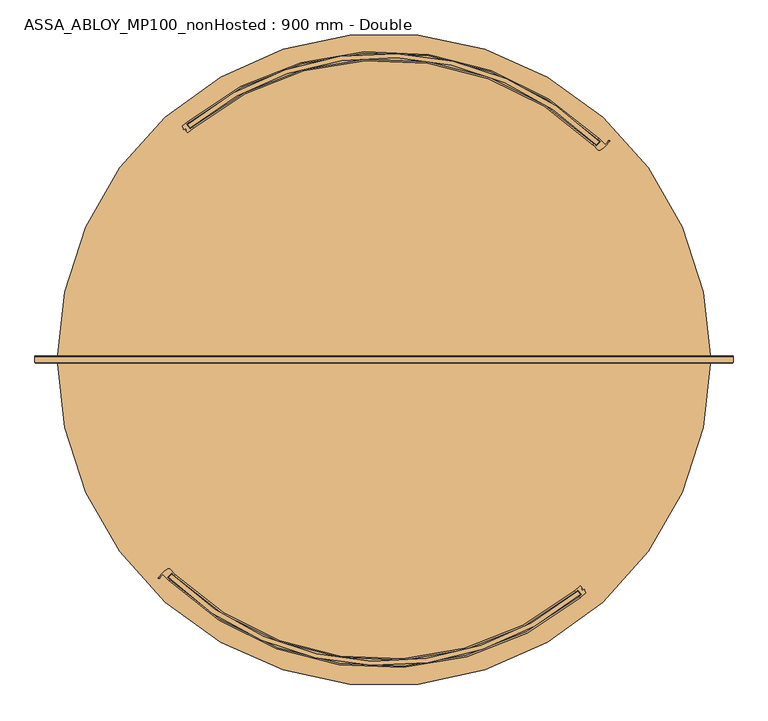
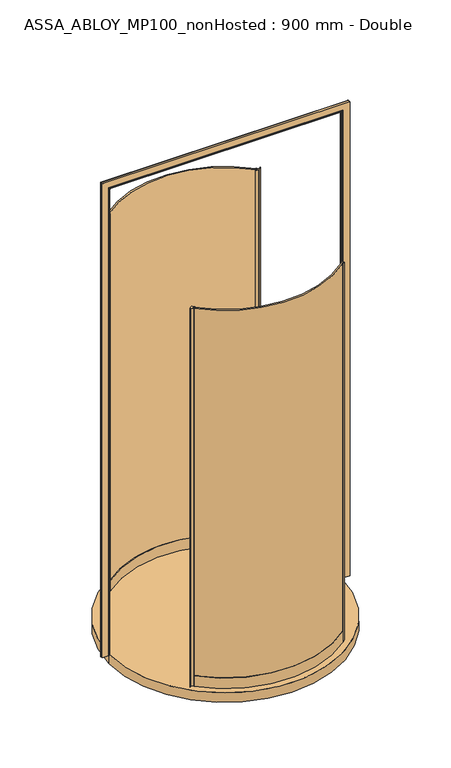
"""IFC4 building model written with IfcOpenShell, lengths in millimetres: door geometry, ASSA_ABLOY_MP100_nonHosted : 900 mm - Double."""

from ifc_helpers import new_model, si_unit, point, frame, origin, origin_with_axes, origin_2d, place, context, project, spatial, polyline, circle_curve, ellipse_curve, trimmed, segment, composite_curve, outline, extrude, source, transform, mapped, element, save
from ifc_brep_helpers import plane_surface, cylinder_surface, revolved_surface, advanced_brep


def assa_abloy_mp100_nonhosted_900_mm_double_eaa0d9aa(model_context):
    return source(origin(), model_context, "Body", "SolidModel", [
        extrude(outline(composite_curve([segment(trimmed(circle_curve(origin_2d(), 698.5), [point((-490.9895728, -496.8213858))], [point((447.911727, -535.9825882))], True, "CARTESIAN"), True, "CONTINUOUS"), segment(polyline([(447.911727, -535.9825882), (454.2710339, -543.7003566)]), True, "CONTINUOUS"), segment(trimmed(circle_curve(origin_2d(), 708.5), [point((454.2710339, -543.7003566))], [point((-497.9678543, -503.9843907))], False, "CARTESIAN"), True, "CONTINUOUS"), segment(polyline([(-497.9678543, -503.9843907), (-490.9895728, -496.8213858)]), True, "CONTINUOUS")], self_intersect=False)), origin_with_axes(), (0.0, 0.0, 1.0), 2600.0),
        extrude(outline(composite_curve([segment(polyline([(453.994875, -524.2431721), (458.3305753, -529.5050553), (456.4011788, -531.0948444), (458.6268836, -533.7959994), (463.1303685, -531.7447887), (463.8351403, -532.6001123), (462.4592124, -534.5156429), (466.7169037, -539.682853)]), True, "CONTINUOUS"), segment(trimmed(circle_curve(origin_2d(), 713.5), [point((466.7169037, -539.682853))], [point((453.7258137, -550.6497399))], False, "CARTESIAN"), True, "CONTINUOUS"), segment(polyline([(453.7258137, -550.6497399), (451.8180667, -548.3344642)]), True, "CONTINUOUS"), segment(trimmed(circle_curve(origin_2d(), 710.5), [point((451.8180667, -548.3344642))], [point((457.1984481, -543.8564416))], True, "CARTESIAN"), True, "CONTINUOUS"), segment(polyline([(457.1984481, -543.8564416), (448.2951882, -533.0512867)]), True, "CONTINUOUS"), segment(trimmed(circle_curve(origin_2d(), 696.5), [point((448.2951882, -533.0512867))], [point((442.7977457, -537.6266422))], False, "CARTESIAN"), True, "CONTINUOUS"), segment(polyline([(442.7977457, -537.6266422), (441.0075007, -535.2145685)]), True, "CONTINUOUS"), segment(trimmed(circle_curve(origin_2d(), 693.5), [point((441.0075007, -535.2145685))], [point((453.994875, -524.2431721))], True, "CARTESIAN"), True, "CONTINUOUS")], self_intersect=False)), origin_with_axes(), (0.0, 0.0, 1.0), 2600.0),
        advanced_brep(
        [(-490.998522, -493.9942887, 0.0), (-500.699855, -504.0902616, 0.0), (-495.6884468, -508.9778468, 0.0), (-497.7670678, -511.1410238, 0.0), (-511.6133107, -497.2748611, 0.0), (-518.778249, -505.9668089, 0.0), (-521.349799, -504.6508512, 0.0), (-499.4826662, -484.364755, 0.0), (-495.8006619, -484.8633819, 0.0), (-483.9095948, -496.7198435, 0.0), (-485.9882157, -498.8830206, 0.0), (-490.998522, -493.9942887, 2600.0), (-485.9882157, -498.8830206, 2600.0), (-483.9095948, -496.7198435, 2600.0), (-495.8006619, -484.8633819, 2600.0), (-499.4826662, -484.364755, 2600.0), (-521.349799, -504.6508512, 2600.0), (-518.7920549, -505.9595954, 2600.0), (-511.6133107, -497.2748611, 2600.0), (-497.7670678, -511.1410238, 2600.0), (-495.6884468, -508.9778468, 2600.0), (-500.699855, -504.0902616, 2600.0)],
        [
            (0, 1),
            (1, 2, circle_curve(frame((-168.9985207, -168.9985207, 0.0), z_axis=(0.0, 0.0, 1.0), x_axis=(-0.7071067811865529, 0.707106781186542, 0.0)), 471.5)),
            (2, 3),
            (3, 4, circle_curve(frame((-168.9985207, -168.9985207, 0.0), z_axis=(0.0, 0.0, -1.0), x_axis=(-0.7071067811865529, 0.707106781186542, 0.0)), 474.5)),
            (4, 5, circle_curve(frame((-494.5950932, -518.6023736, 0.0), z_axis=(0.0, 0.0, 1.0), x_axis=(-0.7071067811865529, 0.707106781186542, 0.0)), 27.285207)),
            (5, 6, circle_curve(frame((-520.0653426, -505.2943097, 0.0), z_axis=(0.0, 0.0, -1.0), x_axis=(-0.7071067811865529, 0.707106781186542, 0.0)), 1.4366164)),
            (6, 7, circle_curve(frame((-463.9017941, -544.6474353, 0.0), z_axis=(0.0, 0.0, -1.0), x_axis=(-0.7071067811865529, 0.707106781186542, 0.0)), 70.0)),
            (7, 8, circle_curve(frame((-497.9577717, -486.9482985, 0.0), z_axis=(0.0, 0.0, -1.0), x_axis=(-0.7071067811865529, 0.707106781186542, 0.0)), 3.0)),
            (8, 9, circle_curve(frame((-168.9985207, -168.9985207, 0.0), z_axis=(0.0, 0.0, 1.0), x_axis=(-0.7071067811865529, 0.707106781186542, 0.0)), 454.5)),
            (9, 10),
            (10, 0, circle_curve(frame((-168.9985207, -168.9985207, 0.0), z_axis=(0.0, 0.0, -1.0), x_axis=(-0.7071067811865529, 0.707106781186542, 0.0)), 457.5)),
            (11, 12, circle_curve(frame((-168.9985207, -168.9985207, 2600.0), z_axis=(0.0, 0.0, 1.0), x_axis=(-0.7071067811865529, 0.707106781186542, 0.0)), 457.5)),
            (12, 13),
            (13, 14, circle_curve(frame((-168.9985207, -168.9985207, 2600.0), z_axis=(0.0, 0.0, -1.0), x_axis=(-0.7071067811865529, 0.707106781186542, 0.0)), 454.5)),
            (14, 15, circle_curve(frame((-497.9577717, -486.9482985, 2600.0), z_axis=(0.0, 0.0, 1.0), x_axis=(-0.7071067811865529, 0.707106781186542, 0.0)), 3.0)),
            (15, 16, circle_curve(frame((-463.9017941, -544.6474353, 2600.0), z_axis=(0.0, 0.0, 1.0), x_axis=(-0.7071067811865529, 0.707106781186542, 0.0)), 70.0)),
            (16, 17, circle_curve(frame((-520.0653426, -505.2943097, 2600.0), z_axis=(0.0, 0.0, 1.0), x_axis=(-0.7071067811865529, 0.707106781186542, 0.0)), 1.4366164)),
            (17, 18, circle_curve(frame((-494.5950932, -518.6023736, 2600.0), z_axis=(0.0, 0.0, -1.0), x_axis=(-0.7071067811865529, 0.707106781186542, 0.0)), 27.285207)),
            (18, 19, circle_curve(frame((-168.9985207, -168.9985207, 2600.0), z_axis=(0.0, 0.0, 1.0), x_axis=(-0.7071067811865529, 0.707106781186542, 0.0)), 474.5)),
            (19, 20),
            (20, 21, circle_curve(frame((-168.9985207, -168.9985207, 2600.0), z_axis=(0.0, 0.0, -1.0), x_axis=(-0.7071067811865529, 0.707106781186542, 0.0)), 471.5)),
            (21, 11),
            (0, 11),
            (21, 1),
            (20, 2),
            (19, 3),
            (18, 4),
            (8, 14),
            (13, 9),
            (12, 10),
            (17, 5),
            (16, 6),
            (15, 7),
        ],
        [
            plane_surface(frame((-490.3785528, -490.3785528, 0.0), z_axis=(0.0, 0.0, -1.0000000000000002), x_axis=(-0.7071067811865421, -0.707106781186553, 0.0))),
            plane_surface(frame((-490.3785528, -490.3785528, 2600.0), z_axis=(0.0, 0.0, 1.0000000000000002), x_axis=(-0.7071067811865421, -0.707106781186553, 0.0))),
            plane_surface(frame((-490.998522, -493.9942887, 0.0), z_axis=(0.7210590160944298, -0.6928736503208452, 0.0), x_axis=(0.0, 0.0, 1.0))),
            revolved_surface(polyline([(-502.39936802945965, 164.40232662945456, 2600.0), (-502.39936802945965, 164.40232662945456, 0.0)]), (-168.9985207, -168.9985207, 0.0), (0.0, 0.0, 1.0)),
            plane_surface(frame((-495.6884468, -508.9778468, 0.0), z_axis=(0.7210590160945622, -0.6928736503207074, 0.0), x_axis=(0.0, 0.0, 1.0))),
            cylinder_surface(frame((-168.9985207, -168.9985207, 0.0), z_axis=(0.0, 0.0, -1.0), x_axis=(-0.7071067811865529, 0.707106781186542, 0.0)), 474.5),
            revolved_surface(polyline([(-490.37855274928825, 152.38151134928333, 2600.0), (-490.37855274928825, 152.38151134928333, 0.0)]), (-168.9985207, -168.9985207, 0.0), (0.0, 0.0, 1.0)),
            plane_surface(frame((-483.9095948, -496.7198435, 0.0), z_axis=(0.721059016094641, -0.6928736503206255, 0.0), x_axis=(0.0, 0.0, 1.0))),
            cylinder_surface(frame((-168.9985207, -168.9985207, 0.0), z_axis=(0.0, 0.0, -1.0), x_axis=(-0.7071067811865529, 0.707106781186542, 0.0)), 457.5),
            revolved_surface(polyline([(-513.8886480957788, -499.30881870422144, 2600.0), (-513.8886480957788, -499.30881870422144, 0.0)]), (-494.5950932, -518.6023736, 0.0), (0.0, 0.0, 1.0)),
            cylinder_surface(frame((-520.0653426, -505.2943097, 0.0), z_axis=(0.0, 0.0, -1.0), x_axis=(-0.7071067811865529, 0.707106781186542, 0.0)), 1.4366164),
            cylinder_surface(frame((-463.9017941, -544.6474353, 0.0), z_axis=(0.0, 0.0, -1.0), x_axis=(-0.7071067811865529, 0.707106781186542, 0.0)), 70.0),
            cylinder_surface(frame((-497.9577717, -486.9482985, 0.0), z_axis=(0.0, 0.0, -1.0), x_axis=(-0.7071067811865529, 0.707106781186542, 0.0)), 3.0),
        ],
        [
            (0, [[1, 2, 3, 4, 5, 6, 7, 8, 9, 10, 11]]),
            (1, [[12, 13, 14, 15, 16, 17, 18, 19, 20, 21, 22]]),
            (2, [[-1, 23, -22, 24]]),
            (3, [[-2, -24, -21, 25]]),
            (4, [[-3, -25, -20, 26]]),
            (5, [[-4, -26, -19, 27]]),
            (6, [[-9, 28, -14, 29]]),
            (7, [[-10, -29, -13, 30]]),
            (8, [[-11, -30, -12, -23]]),
            (9, [[-5, -27, -18, 31]]),
            (10, [[-6, -31, -17, 32]]),
            (11, [[-7, -32, -16, 33]]),
            (12, [[-8, -33, -15, -28]]),
        ],
    ),
        advanced_brep(
        [(-483.931596, -496.7418448, 73.0), (-483.931596, -496.7418448, 0.0), (-486.0250276, -498.890692, 0.0), (-486.0250276, -498.890692, 24.0), (-495.7943749, -508.9186456, 24.0), (-495.7943749, -508.9186456, 0.0), (-497.8878064, -511.0674928, 0.0), (-497.8878064, -511.0674928, 73.0), (-495.7943749, -508.9186456, 73.0), (-495.7943749, -508.9186456, 39.0), (-486.0250276, -498.890692, 39.0), (-486.0250276, -498.890692, 73.0), (441.0075007, -535.2145685, 73.0), (442.9152477, -537.5298442, 73.0), (442.9152477, -537.5298442, 39.0), (451.8180667, -548.3344642, 39.0), (451.8180667, -548.3344642, 73.0), (453.7258137, -550.6497399, 73.0), (453.7258137, -550.6497399, 0.0), (451.8180667, -548.3344642, 0.0), (451.8180667, -548.3344642, 24.0), (442.9152477, -537.5298442, 24.0), (442.9152477, -537.5298442, 0.0), (441.0075007, -535.2145685, 0.0)],
        [
            (0, 1),
            (1, 2),
            (2, 3),
            (3, 4),
            (4, 5),
            (5, 6),
            (6, 7),
            (7, 8),
            (8, 9),
            (9, 10),
            (10, 11),
            (11, 0),
            (12, 13),
            (13, 14),
            (14, 15),
            (15, 16),
            (16, 17),
            (17, 18),
            (18, 19),
            (19, 20),
            (20, 21),
            (21, 22),
            (22, 23),
            (23, 12),
            (23, 1, circle_curve(frame((0.0, 0.0, 0.0), z_axis=(0.0, 0.0, -1.0), x_axis=(-0.6978105206016528, -0.7162824005499857, 0.0)), 693.5)),
            (0, 12, circle_curve(frame((0.0, 0.0, 73.0), z_axis=(0.0, 0.0, 1.0), x_axis=(-0.6978105206016528, -0.7162824005499857, 0.0)), 693.5)),
            (22, 2, circle_curve(frame((0.0, 0.0, 0.0), z_axis=(0.0, 0.0, -1.0), x_axis=(-0.6978105206016528, -0.7162824005499857, 0.0)), 696.5)),
            (21, 3, circle_curve(frame((0.0, 0.0, 24.0), z_axis=(0.0, 0.0, -1.0), x_axis=(-0.6978105206016528, -0.7162824005499857, 0.0)), 696.5)),
            (20, 4, circle_curve(frame((0.0, 0.0, 24.0), z_axis=(0.0, 0.0, -1.0), x_axis=(-0.6978105206016528, -0.7162824005499857, 0.0)), 710.5)),
            (19, 5, circle_curve(frame((0.0, 0.0, 0.0), z_axis=(0.0, 0.0, -1.0), x_axis=(-0.6978105206016528, -0.7162824005499857, 0.0)), 710.5)),
            (18, 6, circle_curve(frame((0.0, 0.0, 0.0), z_axis=(0.0, 0.0, -1.0), x_axis=(-0.6978105206016528, -0.7162824005499857, 0.0)), 713.5)),
            (17, 7, circle_curve(frame((0.0, 0.0, 73.0), z_axis=(0.0, 0.0, -1.0), x_axis=(-0.6978105206016528, -0.7162824005499857, 0.0)), 713.5)),
            (16, 8, circle_curve(frame((0.0, 0.0, 73.0), z_axis=(0.0, 0.0, -1.0), x_axis=(-0.6978105206016528, -0.7162824005499857, 0.0)), 710.5)),
            (15, 9, circle_curve(frame((0.0, 0.0, 39.0), z_axis=(0.0, 0.0, -1.0), x_axis=(-0.6978105206016528, -0.7162824005499857, 0.0)), 710.5)),
            (14, 10, circle_curve(frame((0.0, 0.0, 39.0), z_axis=(0.0, 0.0, -1.0), x_axis=(-0.6978105206016528, -0.7162824005499857, 0.0)), 696.5)),
            (13, 11, circle_curve(frame((0.0, 0.0, 73.0), z_axis=(0.0, 0.0, -1.0), x_axis=(-0.6978105206016528, -0.7162824005499857, 0.0)), 696.5)),
        ],
        [
            plane_surface(frame((-483.931596, -496.7418448, 0.0), z_axis=(-0.7162824005499858, 0.6978105206016528, 0.0), x_axis=(0.0, 0.0, 1.0))),
            plane_surface(frame((441.0075007, -535.2145685, 0.0), z_axis=(0.7717585702338592, 0.6359156463483105, 0.0), x_axis=(0.0, 0.0, 1.0))),
            revolved_surface(polyline([(-483.9315960372462, -496.74184478141507, 73.00000000000003), (-483.9315960372462, -496.74184478141507, 0.0)]), (0.0, 0.0, 0.0), (0.0, 0.0, 1.0000000000000002)),
            plane_surface(frame((0.0, 0.0, 0.0), z_axis=(0.0, 0.0, -1.0000000000000002), x_axis=(-0.6978105206016529, -0.7162824005499858, 0.0))),
            cylinder_surface(frame((0.0, 0.0, 0.0), z_axis=(0.0, 0.0, 1.0000000000000002), x_axis=(-0.6978105206016528, -0.7162824005499857, 0.0)), 696.5),
            plane_surface(frame((0.0, 0.0, 24.0), z_axis=(0.0, 0.0, -1.0000000000000002), x_axis=(-0.6978105206016529, -0.7162824005499858, 0.0))),
            revolved_surface(polyline([(-495.79437488747436, -508.91864559076487, 24.000000000000014), (-495.79437488747436, -508.91864559076487, 0.0)]), (0.0, 0.0, 0.0), (0.0, 0.0, 1.0000000000000002)),
            cylinder_surface(frame((0.0, 0.0, 0.0), z_axis=(0.0, 0.0, 1.0000000000000002), x_axis=(-0.6978105206016528, -0.7162824005499857, 0.0)), 713.5),
            plane_surface(frame((0.0, 0.0, 73.0), z_axis=(0.0, 0.0, 1.0000000000000002), x_axis=(-0.6978105206016529, -0.7162824005499858, 0.0))),
            revolved_surface(polyline([(-495.79437488747436, -508.91864559076487, 73.00000000000003), (-495.79437488747436, -508.91864559076487, 39.000000000000014)]), (0.0, 0.0, 0.0), (0.0, 0.0, 1.0000000000000002)),
            plane_surface(frame((0.0, 0.0, 39.0), z_axis=(0.0, 0.0, 1.0000000000000002), x_axis=(-0.6978105206016529, -0.7162824005499858, 0.0))),
        ],
        [
            (0, [[1, 2, 3, 4, 5, 6, 7, 8, 9, 10, 11, 12]]),
            (1, [[13, 14, 15, 16, 17, 18, 19, 20, 21, 22, 23, 24]]),
            (2, [[25, -1, 26, -24]]),
            (3, [[27, -2, -25, -23]]),
            (4, [[28, -3, -27, -22]]),
            (5, [[29, -4, -28, -21]]),
            (6, [[30, -5, -29, -20]]),
            (3, [[31, -6, -30, -19]]),
            (7, [[32, -7, -31, -18]]),
            (8, [[33, -8, -32, -17]]),
            (9, [[34, -9, -33, -16]]),
            (10, [[35, -10, -34, -15]]),
            (4, [[36, -11, -35, -14]]),
            (8, [[-26, -12, -36, -13]]),
        ],
    ),
        extrude(outline(composite_curve([segment(trimmed(circle_curve(origin_2d(), 698.5), [point((490.9895728, 496.8213858))], [point((-447.911727, 535.9825882))], True, "CARTESIAN"), True, "CONTINUOUS"), segment(polyline([(-447.911727, 535.9825882), (-454.2710339, 543.7003566)]), True, "CONTINUOUS"), segment(trimmed(circle_curve(origin_2d(), 708.5), [point((-454.2710339, 543.7003566))], [point((497.9678543, 503.9843907))], False, "CARTESIAN"), True, "CONTINUOUS"), segment(polyline([(497.9678543, 503.9843907), (490.9895728, 496.8213858)]), True, "CONTINUOUS")], self_intersect=False)), origin_with_axes(), (0.0, 0.0, 1.0), 2600.0),
        extrude(outline(composite_curve([segment(polyline([(-453.994875, 524.2431721), (-458.3305753, 529.5050553), (-456.4011788, 531.0948444), (-458.6268836, 533.7959994), (-463.1303685, 531.7447887), (-463.8351403, 532.6001123), (-462.4592124, 534.5156429), (-466.7169037, 539.682853)]), True, "CONTINUOUS"), segment(trimmed(circle_curve(origin_2d(), 713.5), [point((-466.7169037, 539.682853))], [point((-453.7258137, 550.6497399))], False, "CARTESIAN"), True, "CONTINUOUS"), segment(polyline([(-453.7258137, 550.6497399), (-451.8180667, 548.3344642)]), True, "CONTINUOUS"), segment(trimmed(circle_curve(origin_2d(), 710.5), [point((-451.8180667, 548.3344642))], [point((-457.1984481, 543.8564416))], True, "CARTESIAN"), True, "CONTINUOUS"), segment(polyline([(-457.1984481, 543.8564416), (-448.2951882, 533.0512867)]), True, "CONTINUOUS"), segment(trimmed(circle_curve(origin_2d(), 696.5), [point((-448.2951882, 533.0512867))], [point((-442.7977457, 537.6266422))], False, "CARTESIAN"), True, "CONTINUOUS"), segment(polyline([(-442.7977457, 537.6266422), (-441.0075007, 535.2145685)]), True, "CONTINUOUS"), segment(trimmed(circle_curve(origin_2d(), 693.5), [point((-441.0075007, 535.2145685))], [point((-453.994875, 524.2431721))], True, "CARTESIAN"), True, "CONTINUOUS")], self_intersect=False)), origin_with_axes(), (0.0, 0.0, 1.0), 2600.0),
        advanced_brep(
        [(490.998522, 493.9942887, 0.0), (500.699855, 504.0902616, 0.0), (495.6884468, 508.9778468, 0.0), (497.7670678, 511.1410238, 0.0), (511.6133107, 497.2748611, 0.0), (518.778249, 505.9668089, 0.0), (521.349799, 504.6508512, 0.0), (499.4826662, 484.364755, 0.0), (495.8006619, 484.8633819, 0.0), (483.9095948, 496.7198435, 0.0), (485.9882157, 498.8830206, 0.0), (490.998522, 493.9942887, 2600.0), (485.9882157, 498.8830206, 2600.0), (483.9095948, 496.7198435, 2600.0), (495.8006619, 484.8633819, 2600.0), (499.4826662, 484.364755, 2600.0), (521.349799, 504.6508512, 2600.0), (518.7920549, 505.9595954, 2600.0), (511.6133107, 497.2748611, 2600.0), (497.7670678, 511.1410238, 2600.0), (495.6884468, 508.9778468, 2600.0), (500.699855, 504.0902616, 2600.0)],
        [
            (0, 1),
            (1, 2, circle_curve(frame((168.9985207, 168.9985207, 0.0), z_axis=(0.0, 0.0, 1.0), x_axis=(0.7071067811865528, -0.7071067811865412, 0.0)), 471.5)),
            (2, 3),
            (3, 4, circle_curve(frame((168.9985207, 168.9985207, 0.0), z_axis=(0.0, 0.0, -1.0), x_axis=(0.7071067811865528, -0.7071067811865412, 0.0)), 474.5)),
            (4, 5, circle_curve(frame((494.5950932, 518.6023736, 0.0), z_axis=(0.0, 0.0, 1.0), x_axis=(0.7071067811865528, -0.7071067811865412, 0.0)), 27.285207)),
            (5, 6, circle_curve(frame((520.0653426, 505.2943097, 0.0), z_axis=(0.0, 0.0, -1.0), x_axis=(0.7071067811865528, -0.7071067811865412, 0.0)), 1.4366164)),
            (6, 7, circle_curve(frame((463.9017941, 544.6474353, 0.0), z_axis=(0.0, 0.0, -1.0), x_axis=(0.7071067811865528, -0.7071067811865412, 0.0)), 70.0)),
            (7, 8, circle_curve(frame((497.9577717, 486.9482985, 0.0), z_axis=(0.0, 0.0, -1.0), x_axis=(0.7071067811865528, -0.7071067811865412, 0.0)), 3.0)),
            (8, 9, circle_curve(frame((168.9985207, 168.9985207, 0.0), z_axis=(0.0, 0.0, 1.0), x_axis=(0.7071067811865528, -0.7071067811865412, 0.0)), 454.5)),
            (9, 10),
            (10, 0, circle_curve(frame((168.9985207, 168.9985207, 0.0), z_axis=(0.0, 0.0, -1.0), x_axis=(0.7071067811865528, -0.7071067811865412, 0.0)), 457.5)),
            (11, 12, circle_curve(frame((168.9985207, 168.9985207, 2600.0), z_axis=(0.0, 0.0, 1.0), x_axis=(0.7071067811865528, -0.7071067811865412, 0.0)), 457.5)),
            (12, 13),
            (13, 14, circle_curve(frame((168.9985207, 168.9985207, 2600.0), z_axis=(0.0, 0.0, -1.0), x_axis=(0.7071067811865528, -0.7071067811865412, 0.0)), 454.5)),
            (14, 15, circle_curve(frame((497.9577717, 486.9482985, 2600.0), z_axis=(0.0, 0.0, 1.0), x_axis=(0.7071067811865528, -0.7071067811865412, 0.0)), 3.0)),
            (15, 16, circle_curve(frame((463.9017941, 544.6474353, 2600.0), z_axis=(0.0, 0.0, 1.0), x_axis=(0.7071067811865528, -0.7071067811865412, 0.0)), 70.0)),
            (16, 17, circle_curve(frame((520.0653426, 505.2943097, 2600.0), z_axis=(0.0, 0.0, 1.0), x_axis=(0.7071067811865528, -0.7071067811865412, 0.0)), 1.4366164)),
            (17, 18, circle_curve(frame((494.5950932, 518.6023736, 2600.0), z_axis=(0.0, 0.0, -1.0), x_axis=(0.7071067811865528, -0.7071067811865412, 0.0)), 27.285207)),
            (18, 19, circle_curve(frame((168.9985207, 168.9985207, 2600.0), z_axis=(0.0, 0.0, 1.0), x_axis=(0.7071067811865528, -0.7071067811865412, 0.0)), 474.5)),
            (19, 20),
            (20, 21, circle_curve(frame((168.9985207, 168.9985207, 2600.0), z_axis=(0.0, 0.0, -1.0), x_axis=(0.7071067811865528, -0.7071067811865412, 0.0)), 471.5)),
            (21, 11),
            (0, 11),
            (21, 1),
            (20, 2),
            (19, 3),
            (18, 4),
            (8, 14),
            (13, 9),
            (12, 10),
            (17, 5),
            (16, 6),
            (15, 7),
        ],
        [
            plane_surface(frame((490.3785528, 490.3785528, 0.0), z_axis=(0.0, 0.0, -1.0), x_axis=(0.7071067811865418, 0.7071067811865533, 0.0))),
            plane_surface(frame((490.3785528, 490.3785528, 2600.0), z_axis=(0.0, 0.0, 1.0), x_axis=(0.7071067811865418, 0.7071067811865533, 0.0))),
            plane_surface(frame((490.998522, 493.9942887, 0.0), z_axis=(-0.7210590160944301, 0.6928736503208448, 0.0), x_axis=(0.0, 0.0, 1.0))),
            revolved_surface(polyline([(502.39936802945965, -164.40232662945422, 2600.0), (502.39936802945965, -164.40232662945422, 0.0)]), (168.9985207, 168.9985207, 0.0), (0.0, 0.0, 1.0)),
            plane_surface(frame((495.6884468, 508.9778468, 0.0), z_axis=(-0.7210590160945626, 0.692873650320707, 0.0), x_axis=(0.0, 0.0, 1.0))),
            cylinder_surface(frame((168.9985207, 168.9985207, 0.0), z_axis=(0.0, 0.0, -1.0), x_axis=(0.7071067811865528, -0.7071067811865412, 0.0)), 474.5),
            revolved_surface(polyline([(490.37855274928825, -152.381511349283, 2600.0), (490.37855274928825, -152.381511349283, 0.0)]), (168.9985207, 168.9985207, 0.0), (0.0, 0.0, 1.0)),
            plane_surface(frame((483.9095948, 496.7198435, 0.0), z_axis=(-0.7210590160946412, 0.6928736503206251, 0.0), x_axis=(0.0, 0.0, 1.0))),
            cylinder_surface(frame((168.9985207, 168.9985207, 0.0), z_axis=(0.0, 0.0, -1.0), x_axis=(0.7071067811865528, -0.7071067811865412, 0.0)), 457.5),
            revolved_surface(polyline([(513.8886480957788, 499.3088187042215, 2600.0), (513.8886480957788, 499.3088187042215, 0.0)]), (494.5950932, 518.6023736, 0.0), (0.0, 0.0, 1.0)),
            cylinder_surface(frame((520.0653426, 505.2943097, 0.0), z_axis=(0.0, 0.0, -1.0), x_axis=(0.7071067811865528, -0.7071067811865412, 0.0)), 1.4366164),
            cylinder_surface(frame((463.9017941, 544.6474353, 0.0), z_axis=(0.0, 0.0, -1.0), x_axis=(0.7071067811865528, -0.7071067811865412, 0.0)), 70.0),
            cylinder_surface(frame((497.9577717, 486.9482985, 0.0), z_axis=(0.0, 0.0, -1.0), x_axis=(0.7071067811865528, -0.7071067811865412, 0.0)), 3.0),
        ],
        [
            (0, [[1, 2, 3, 4, 5, 6, 7, 8, 9, 10, 11]]),
            (1, [[12, 13, 14, 15, 16, 17, 18, 19, 20, 21, 22]]),
            (2, [[-1, 23, -22, 24]]),
            (3, [[-2, -24, -21, 25]]),
            (4, [[-3, -25, -20, 26]]),
            (5, [[-4, -26, -19, 27]]),
            (6, [[-9, 28, -14, 29]]),
            (7, [[-10, -29, -13, 30]]),
            (8, [[-11, -30, -12, -23]]),
            (9, [[-5, -27, -18, 31]]),
            (10, [[-6, -31, -17, 32]]),
            (11, [[-7, -32, -16, 33]]),
            (12, [[-8, -33, -15, -28]]),
        ],
    ),
        advanced_brep(
        [(483.931596, 496.7418448, 73.0), (483.931596, 496.7418448, 0.0), (486.0250276, 498.890692, 0.0), (486.0250276, 498.890692, 24.0), (495.7943749, 508.9186456, 24.0), (495.7943749, 508.9186456, 0.0), (497.8878064, 511.0674928, 0.0), (497.8878064, 511.0674928, 73.0), (495.7943749, 508.9186456, 73.0), (495.7943749, 508.9186456, 39.0), (486.0250276, 498.890692, 39.0), (486.0250276, 498.890692, 73.0), (-441.0075007, 535.2145685, 73.0), (-442.9152477, 537.5298442, 73.0), (-442.9152477, 537.5298442, 39.0), (-451.8180667, 548.3344642, 39.0), (-451.8180667, 548.3344642, 73.0), (-453.7258137, 550.6497399, 73.0), (-453.7258137, 550.6497399, 0.0), (-451.8180667, 548.3344642, 0.0), (-451.8180667, 548.3344642, 24.0), (-442.9152477, 537.5298442, 24.0), (-442.9152477, 537.5298442, 0.0), (-441.0075007, 535.2145685, 0.0)],
        [
            (0, 1),
            (1, 2),
            (2, 3),
            (3, 4),
            (4, 5),
            (5, 6),
            (6, 7),
            (7, 8),
            (8, 9),
            (9, 10),
            (10, 11),
            (11, 0),
            (12, 13),
            (13, 14),
            (14, 15),
            (15, 16),
            (16, 17),
            (17, 18),
            (18, 19),
            (19, 20),
            (20, 21),
            (21, 22),
            (22, 23),
            (23, 12),
            (23, 1, circle_curve(frame((0.0, 0.0, 0.0), z_axis=(0.0, 0.0, -1.0), x_axis=(0.697810520601652, 0.7162824005499856, 0.0)), 693.5)),
            (0, 12, circle_curve(frame((0.0, 0.0, 73.0), z_axis=(0.0, 0.0, 1.0), x_axis=(0.697810520601652, 0.7162824005499856, 0.0)), 693.5)),
            (22, 2, circle_curve(frame((0.0, 0.0, 0.0), z_axis=(0.0, 0.0, -1.0), x_axis=(0.697810520601652, 0.7162824005499856, 0.0)), 696.5)),
            (21, 3, circle_curve(frame((0.0, 0.0, 24.0), z_axis=(0.0, 0.0, -1.0), x_axis=(0.697810520601652, 0.7162824005499856, 0.0)), 696.5)),
            (20, 4, circle_curve(frame((0.0, 0.0, 24.0), z_axis=(0.0, 0.0, -1.0), x_axis=(0.697810520601652, 0.7162824005499856, 0.0)), 710.5)),
            (19, 5, circle_curve(frame((0.0, 0.0, 0.0), z_axis=(0.0, 0.0, -1.0), x_axis=(0.697810520601652, 0.7162824005499856, 0.0)), 710.5)),
            (18, 6, circle_curve(frame((0.0, 0.0, 0.0), z_axis=(0.0, 0.0, -1.0), x_axis=(0.697810520601652, 0.7162824005499856, 0.0)), 713.5)),
            (17, 7, circle_curve(frame((0.0, 0.0, 73.0), z_axis=(0.0, 0.0, -1.0), x_axis=(0.697810520601652, 0.7162824005499856, 0.0)), 713.5)),
            (16, 8, circle_curve(frame((0.0, 0.0, 73.0), z_axis=(0.0, 0.0, -1.0), x_axis=(0.697810520601652, 0.7162824005499856, 0.0)), 710.5)),
            (15, 9, circle_curve(frame((0.0, 0.0, 39.0), z_axis=(0.0, 0.0, -1.0), x_axis=(0.697810520601652, 0.7162824005499856, 0.0)), 710.5)),
            (14, 10, circle_curve(frame((0.0, 0.0, 39.0), z_axis=(0.0, 0.0, -1.0), x_axis=(0.697810520601652, 0.7162824005499856, 0.0)), 696.5)),
            (13, 11, circle_curve(frame((0.0, 0.0, 73.0), z_axis=(0.0, 0.0, -1.0), x_axis=(0.697810520601652, 0.7162824005499856, 0.0)), 696.5)),
        ],
        [
            plane_surface(frame((483.931596, 496.7418448, 0.0), z_axis=(0.7162824005499862, -0.6978105206016525, 0.0), x_axis=(0.0, 0.0, 1.0))),
            plane_surface(frame((-441.0075007, 535.2145685, 0.0), z_axis=(-0.7717585702338589, -0.635915646348311, 0.0), x_axis=(0.0, 0.0, 1.0))),
            revolved_surface(polyline([(483.9315960372457, 496.741844781415, 73.00000000000003), (483.9315960372457, 496.741844781415, 0.0)]), (0.0, 0.0, 0.0), (0.0, 0.0, 1.0000000000000002)),
            plane_surface(frame((0.0, 0.0, 0.0), z_axis=(0.0, 0.0, -1.0), x_axis=(0.6978105206016525, 0.716282400549986, 0.0))),
            cylinder_surface(frame((0.0, 0.0, 0.0), z_axis=(0.0, 0.0, 1.0000000000000002), x_axis=(0.697810520601652, 0.7162824005499856, 0.0)), 696.5),
            plane_surface(frame((0.0, 0.0, 24.0), z_axis=(0.0, 0.0, -1.0), x_axis=(0.6978105206016525, 0.716282400549986, 0.0))),
            revolved_surface(polyline([(495.7943748874738, 508.91864559076475, 24.000000000000014), (495.7943748874738, 508.91864559076475, 0.0)]), (0.0, 0.0, 0.0), (0.0, 0.0, 1.0000000000000002)),
            cylinder_surface(frame((0.0, 0.0, 0.0), z_axis=(0.0, 0.0, 1.0000000000000002), x_axis=(0.697810520601652, 0.7162824005499856, 0.0)), 713.5),
            plane_surface(frame((0.0, 0.0, 73.0), z_axis=(0.0, 0.0, 1.0), x_axis=(0.6978105206016525, 0.716282400549986, 0.0))),
            revolved_surface(polyline([(495.7943748874738, 508.91864559076475, 73.00000000000003), (495.7943748874738, 508.91864559076475, 39.000000000000014)]), (0.0, 0.0, 0.0), (0.0, 0.0, 1.0000000000000002)),
            plane_surface(frame((0.0, 0.0, 39.0), z_axis=(0.0, 0.0, 1.0), x_axis=(0.6978105206016525, 0.716282400549986, 0.0))),
        ],
        [
            (0, [[1, 2, 3, 4, 5, 6, 7, 8, 9, 10, 11, 12]]),
            (1, [[13, 14, 15, 16, 17, 18, 19, 20, 21, 22, 23, 24]]),
            (2, [[25, -1, 26, -24]]),
            (3, [[27, -2, -25, -23]]),
            (4, [[28, -3, -27, -22]]),
            (5, [[29, -4, -28, -21]]),
            (6, [[30, -5, -29, -20]]),
            (3, [[31, -6, -30, -19]]),
            (7, [[32, -7, -31, -18]]),
            (8, [[33, -8, -32, -17]]),
            (9, [[34, -9, -33, -16]]),
            (10, [[35, -10, -34, -15]]),
            (4, [[36, -11, -35, -14]]),
            (8, [[-26, -12, -36, -13]]),
        ],
    ),
        extrude(outline(composite_curve([segment(trimmed(circle_curve(origin_2d(), 755.0), [point((-755.0, 0.0))], [point((755.0, 0.0))], False, "CARTESIAN"), True, "CONTINUOUS"), segment(trimmed(circle_curve(origin_2d(), 755.0), [point((755.0, 0.0))], [point((-755.0, 0.0))], False, "CARTESIAN"), True, "CONTINUOUS")], self_intersect=False)), frame((0.0, 0.0, -65.0), z_axis=(0.0, 0.0, 1.0), x_axis=(1.0, 0.0, 0.0)), (0.0, 0.0, 1.0), 65.0),
        advanced_brep(
        [(755.9, 6.0, 0.0), (758.1980762, 6.0, 0.0), (759.0980762, 5.1, 0.0), (759.0980762, -5.1, 0.0), (758.1980762, -6.0, 0.0), (755.9, -6.0, 0.0), (755.0, -5.1, 0.0), (755.0, 5.1, 0.0), (-755.9, 6.0, 0.0), (-755.0, 5.1, 0.0), (-755.0, -5.1, 0.0), (-755.9, -6.0, 0.0), (-758.1980762, -6.0, 0.0), (-759.0980762, -5.1, 0.0), (-759.0980762, 5.1, 0.0), (-758.1980762, 6.0, 0.0), (755.9, 6.0, 3211.8), (-755.9, 6.0, 3211.8), (-758.1980762, 6.0, 3214.0980762), (758.1980762, 6.0, 3214.0980762), (759.0980762, 5.1, 3214.9980762), (759.0980762, -5.1, 3214.9980762), (758.1980762, -6.0, 3214.0980762), (-758.1980762, -6.0, 3214.0980762), (-755.9, -6.0, 3211.8), (755.9, -6.0, 3211.8), (755.0, -5.1, 3210.9), (755.0, 5.1, 3210.9), (-759.0980762, 5.1, 3214.9980762), (-759.0980762, -5.1, 3214.9980762), (-755.0, -5.1, 3210.9), (-755.0, 5.1, 3210.9)],
        [
            (0, 1),
            (1, 2, circle_curve(frame((758.1980762, 5.1, 0.0), z_axis=(0.0, 0.0, -1.0), x_axis=(-1.0, 0.0, 0.0)), 0.9)),
            (2, 3),
            (3, 4, circle_curve(frame((758.1980762, -5.1, 0.0), z_axis=(0.0, 0.0, -1.0), x_axis=(-1.0, 0.0, 0.0)), 0.9)),
            (4, 5),
            (5, 6, circle_curve(frame((755.9, -5.1, 0.0), z_axis=(0.0, 0.0, -1.0), x_axis=(-1.0, 0.0, 0.0)), 0.9)),
            (6, 7),
            (7, 0, circle_curve(frame((755.9, 5.1, 0.0), z_axis=(0.0, 0.0, -1.0), x_axis=(-1.0, 0.0, 0.0)), 0.9)),
            (8, 9, circle_curve(frame((-755.9, 5.1, 0.0), z_axis=(0.0, 0.0, -1.0), x_axis=(1.0, 0.0, 0.0)), 0.9)),
            (9, 10),
            (10, 11, circle_curve(frame((-755.9, -5.1, 0.0), z_axis=(0.0, 0.0, -1.0), x_axis=(1.0, 0.0, 0.0)), 0.9)),
            (11, 12),
            (12, 13, circle_curve(frame((-758.1980762, -5.1, 0.0), z_axis=(0.0, 0.0, -1.0), x_axis=(1.0, 0.0, 0.0)), 0.9)),
            (13, 14),
            (14, 15, circle_curve(frame((-758.1980762, 5.1, 0.0), z_axis=(0.0, 0.0, -1.0), x_axis=(1.0, 0.0, 0.0)), 0.9)),
            (15, 8),
            (0, 16),
            (16, 17),
            (17, 8),
            (15, 18),
            (18, 19),
            (19, 1),
            (19, 20, ellipse_curve(frame((758.1980762, 5.1, 3214.0980762), z_axis=(0.7071067811865475, 0.0, -0.7071067811865475), x_axis=(-0.7071067811865474, 0.0, -0.7071067811865476)), 1.2727922, 0.9)),
            (20, 2),
            (20, 21),
            (21, 3),
            (21, 22, ellipse_curve(frame((758.1980762, -5.1, 3214.0980762), z_axis=(0.7071067811865475, 0.0, -0.7071067811865475), x_axis=(-0.7071067811865474, 0.0, -0.7071067811865476)), 1.2727922, 0.9)),
            (22, 4),
            (22, 23),
            (23, 12),
            (11, 24),
            (24, 25),
            (25, 5),
            (25, 26, ellipse_curve(frame((755.9, -5.1, 3211.8), z_axis=(0.7071067811865475, 0.0, -0.7071067811865475), x_axis=(-0.7071067811865474, 0.0, -0.7071067811865476)), 1.2727922, 0.9)),
            (26, 6),
            (26, 27),
            (27, 7),
            (27, 16, ellipse_curve(frame((755.9, 5.1, 3211.8), z_axis=(0.7071067811865475, 0.0, -0.7071067811865475), x_axis=(-0.7071067811865474, 0.0, -0.7071067811865476)), 1.2727922, 0.9)),
            (18, 28, ellipse_curve(frame((-758.1980762, 5.1, 3214.0980762), z_axis=(0.7071067811865475, 0.0, 0.7071067811865475), x_axis=(0.7071067811865476, 0.0, -0.7071067811865474)), 1.2727922, 0.9)),
            (28, 20),
            (28, 29),
            (29, 21),
            (29, 23, ellipse_curve(frame((-758.1980762, -5.1, 3214.0980762), z_axis=(0.7071067811865475, 0.0, 0.7071067811865475), x_axis=(0.7071067811865476, 0.0, -0.7071067811865474)), 1.2727922, 0.9)),
            (24, 30, ellipse_curve(frame((-755.9, -5.1, 3211.8), z_axis=(0.7071067811865475, 0.0, 0.7071067811865475), x_axis=(0.7071067811865476, 0.0, -0.7071067811865474)), 1.2727922, 0.9)),
            (30, 26),
            (30, 31),
            (31, 27),
            (31, 17, ellipse_curve(frame((-755.9, 5.1, 3211.8), z_axis=(0.7071067811865475, 0.0, 0.7071067811865475), x_axis=(0.7071067811865476, 0.0, -0.7071067811865474)), 1.2727922, 0.9)),
            (14, 28),
            (13, 29),
            (10, 30),
            (9, 31),
        ],
        [
            plane_surface(frame((759.1, 0.0, 0.0), z_axis=(0.0, 0.0, -1.0), x_axis=(0.0, -1.0, 0.0))),
            plane_surface(frame((-759.1, 0.0, 0.0), z_axis=(0.0, 0.0, -1.0), x_axis=(0.0, -1.0, 0.0))),
            plane_surface(frame((755.9, 6.0, 0.0), z_axis=(0.0, 1.0, 0.0), x_axis=(0.0, 0.0, 1.0))),
            cylinder_surface(frame((758.1980762, 5.1, 0.0), z_axis=(0.0, 0.0, -1.0), x_axis=(-1.0, 0.0, 0.0)), 0.9),
            plane_surface(frame((759.0980762, 5.1, 0.0), z_axis=(1.0, 0.0, 0.0), x_axis=(0.0, 0.0, 1.0))),
            cylinder_surface(frame((758.1980762, -5.1, 0.0), z_axis=(0.0, 0.0, -1.0), x_axis=(-1.0, 0.0, 0.0)), 0.9),
            plane_surface(frame((758.1980762, -6.0, 0.0), z_axis=(0.0, -1.0, 0.0), x_axis=(0.0, 0.0, 1.0))),
            cylinder_surface(frame((755.9, -5.1, 0.0), z_axis=(0.0, 0.0, -1.0), x_axis=(-1.0, 0.0, 0.0)), 0.9),
            plane_surface(frame((755.0, -5.1, 0.0), z_axis=(-1.0, 0.0, 0.0), x_axis=(0.0, 0.0, 1.0))),
            cylinder_surface(frame((755.9, 5.1, 0.0), z_axis=(0.0, 0.0, -1.0), x_axis=(-1.0, 0.0, 0.0)), 0.9),
            cylinder_surface(frame((759.1, 5.1, 3214.0980762), z_axis=(1.0, 0.0, 0.0), x_axis=(0.0, 0.0, -1.0)), 0.9),
            plane_surface(frame((759.0980762, 5.1, 3214.9980762), z_axis=(0.0, 0.0, 1.0), x_axis=(-1.0, 0.0, 0.0))),
            cylinder_surface(frame((759.1, -5.1, 3214.0980762), z_axis=(1.0, 0.0, 0.0), x_axis=(0.0, 0.0, -1.0)), 0.9),
            cylinder_surface(frame((759.1, -5.1, 3211.8), z_axis=(1.0, 0.0, 0.0), x_axis=(0.0, 0.0, -1.0)), 0.9),
            plane_surface(frame((755.0, -5.1, 3210.9), z_axis=(0.0, 0.0, -1.0), x_axis=(-1.0, 0.0, 0.0))),
            cylinder_surface(frame((759.1, 5.1, 3211.8), z_axis=(1.0, 0.0, 0.0), x_axis=(0.0, 0.0, -1.0)), 0.9),
            cylinder_surface(frame((-758.1980762, 5.1, 3215.0), z_axis=(0.0, 0.0, 1.0), x_axis=(1.0, 0.0, 0.0)), 0.9),
            plane_surface(frame((-759.0980762, 5.1, 3214.9980762), z_axis=(-1.0, 0.0, 0.0), x_axis=(0.0, 0.0, -1.0))),
            cylinder_surface(frame((-758.1980762, -5.1, 3215.0), z_axis=(0.0, 0.0, 1.0), x_axis=(1.0, 0.0, 0.0)), 0.9),
            cylinder_surface(frame((-755.9, -5.1, 3215.0), z_axis=(0.0, 0.0, 1.0), x_axis=(1.0, 0.0, 0.0)), 0.9),
            plane_surface(frame((-755.0, -5.1, 3210.9), z_axis=(1.0, 0.0, 0.0), x_axis=(0.0, 0.0, -1.0))),
            cylinder_surface(frame((-755.9, 5.1, 3215.0), z_axis=(0.0, 0.0, 1.0), x_axis=(1.0, 0.0, 0.0)), 0.9),
        ],
        [
            (0, [[1, 2, 3, 4, 5, 6, 7, 8]]),
            (1, [[9, 10, 11, 12, 13, 14, 15, 16]]),
            (2, [[-1, 17, 18, 19, -16, 20, 21, 22]]),
            (3, [[-2, -22, 23, 24]]),
            (4, [[-3, -24, 25, 26]]),
            (5, [[-4, -26, 27, 28]]),
            (6, [[-5, -28, 29, 30, -12, 31, 32, 33]]),
            (7, [[-6, -33, 34, 35]]),
            (8, [[-7, -35, 36, 37]]),
            (9, [[-8, -37, 38, -17]]),
            (10, [[-23, -21, 39, 40]]),
            (11, [[-25, -40, 41, 42]]),
            (12, [[-27, -42, 43, -29]]),
            (13, [[-34, -32, 44, 45]]),
            (14, [[-36, -45, 46, 47]]),
            (15, [[-38, -47, 48, -18]]),
            (16, [[-39, -20, -15, 49]]),
            (17, [[-41, -49, -14, 50]]),
            (18, [[-43, -50, -13, -30]]),
            (19, [[-44, -31, -11, 51]]),
            (20, [[-46, -51, -10, 52]]),
            (21, [[-48, -52, -9, -19]]),
        ],
    ),
        advanced_brep(
        [(806.4209519, 8.5, 0.0), (807.0980762, 7.0, 0.0), (807.0980762, -7.0, 0.0), (806.4209519, -8.5, 0.0), (767.0980762, -8.5, 0.0), (767.0980762, 8.5, 0.0), (-806.4209519, 8.5, 0.0), (-767.0980762, 8.5, 0.0), (-767.0980762, -8.5, 0.0), (-806.4209519, -8.5, 0.0), (-807.0980762, -7.0, 0.0), (-807.0980762, 7.0, 0.0), (806.4209519, 8.5, 3262.3209519), (807.0980762, 7.0, 3262.9980762), (807.0980762, -7.0, 3262.9980762), (806.4209519, -8.5, 3262.3209519), (-806.4209519, -8.5, 3262.3209519), (-767.0980762, -8.5, 3222.9980762), (767.0980762, -8.5, 3222.9980762), (767.0980762, 8.5, 3222.9980762), (-767.0980762, 8.5, 3222.9980762), (-806.4209519, 8.5, 3262.3209519), (-807.0980762, 7.0, 3262.9980762), (-807.0980762, -7.0, 3262.9980762)],
        [
            (0, 1, circle_curve(frame((805.0980762, 7.0, 0.0), z_axis=(0.0, 0.0, -1.0), x_axis=(-1.0, 0.0, 0.0)), 2.0)),
            (1, 2),
            (2, 3, circle_curve(frame((805.0980762, -7.0, 0.0), z_axis=(0.0, 0.0, -1.0), x_axis=(-1.0, 0.0, 0.0)), 2.0)),
            (3, 4),
            (4, 5),
            (5, 0),
            (6, 7),
            (7, 8),
            (8, 9),
            (9, 10, circle_curve(frame((-805.0980762, -7.0, 0.0), z_axis=(0.0, 0.0, -1.0), x_axis=(1.0, 0.0, 0.0)), 2.0)),
            (10, 11),
            (11, 6, circle_curve(frame((-805.0980762, 7.0, 0.0), z_axis=(0.0, 0.0, -1.0), x_axis=(1.0, 0.0, 0.0)), 2.0)),
            (0, 12),
            (12, 13, ellipse_curve(frame((805.0980762, 7.0, 3260.9980762), z_axis=(0.7071067811865475, 0.0, -0.7071067811865475), x_axis=(-0.7071067811865474, 0.0, -0.7071067811865476)), 2.8284271, 2.0)),
            (13, 1),
            (13, 14),
            (14, 2),
            (14, 15, ellipse_curve(frame((805.0980762, -7.0, 3260.9980762), z_axis=(0.7071067811865475, 0.0, -0.7071067811865475), x_axis=(-0.7071067811865474, 0.0, -0.7071067811865476)), 2.8284271, 2.0)),
            (15, 3),
            (15, 16),
            (16, 9),
            (8, 17),
            (17, 18),
            (18, 4),
            (18, 19),
            (19, 5),
            (19, 20),
            (20, 7),
            (6, 21),
            (21, 12),
            (21, 22, ellipse_curve(frame((-805.0980762, 7.0, 3260.9980762), z_axis=(0.7071067811865475, 0.0, 0.7071067811865475), x_axis=(0.7071067811865476, 0.0, -0.7071067811865474)), 2.8284271, 2.0)),
            (22, 13),
            (22, 23),
            (23, 14),
            (23, 16, ellipse_curve(frame((-805.0980762, -7.0, 3260.9980762), z_axis=(0.7071067811865475, 0.0, 0.7071067811865475), x_axis=(0.7071067811865476, 0.0, -0.7071067811865474)), 2.8284271, 2.0)),
            (17, 20),
            (11, 22),
            (10, 23),
        ],
        [
            plane_surface(frame((759.1, 0.0, 0.0), z_axis=(0.0, 0.0, -1.0), x_axis=(0.0, -1.0, 0.0))),
            plane_surface(frame((-759.1, 0.0, 0.0), z_axis=(0.0, 0.0, -1.0), x_axis=(0.0, -1.0, 0.0))),
            cylinder_surface(frame((805.0980762, 7.0, 0.0), z_axis=(0.0, 0.0, -1.0), x_axis=(-1.0, 0.0, 0.0)), 2.0),
            plane_surface(frame((807.0980762, 7.0, 0.0), z_axis=(1.0, 0.0, 0.0), x_axis=(0.0, 0.0, 1.0))),
            cylinder_surface(frame((805.0980762, -7.0, 0.0), z_axis=(0.0, 0.0, -1.0), x_axis=(-1.0, 0.0, 0.0)), 2.0),
            plane_surface(frame((806.4209519, -8.5, 0.0), z_axis=(0.0, -1.0, 0.0), x_axis=(0.0, 0.0, 1.0))),
            plane_surface(frame((767.0980762, -8.5, 0.0), z_axis=(-1.0, 0.0, 0.0), x_axis=(0.0, 0.0, 1.0))),
            plane_surface(frame((767.0980762, 8.5, 0.0), z_axis=(0.0, 1.0, 0.0), x_axis=(0.0, 0.0, 1.0))),
            cylinder_surface(frame((759.1, 7.0, 3260.9980762), z_axis=(1.0, 0.0, 0.0), x_axis=(0.0, 0.0, -1.0)), 2.0),
            plane_surface(frame((807.0980762, 7.0, 3262.9980762), z_axis=(0.0, 0.0, 1.0), x_axis=(-1.0, 0.0, 0.0))),
            cylinder_surface(frame((759.1, -7.0, 3260.9980762), z_axis=(1.0, 0.0, 0.0), x_axis=(0.0, 0.0, -1.0)), 2.0),
            plane_surface(frame((767.0980762, -8.5, 3222.9980762), z_axis=(0.0, 0.0, -1.0), x_axis=(-1.0, 0.0, 0.0))),
            cylinder_surface(frame((-805.0980762, 7.0, 3215.0), z_axis=(0.0, 0.0, 1.0), x_axis=(1.0, 0.0, 0.0)), 2.0),
            plane_surface(frame((-807.0980762, 7.0, 3262.9980762), z_axis=(-1.0, 0.0, 0.0), x_axis=(0.0, 0.0, -1.0))),
            cylinder_surface(frame((-805.0980762, -7.0, 3215.0), z_axis=(0.0, 0.0, 1.0), x_axis=(1.0, 0.0, 0.0)), 2.0),
            plane_surface(frame((-767.0980762, -8.5, 3222.9980762), z_axis=(1.0, 0.0, 0.0), x_axis=(0.0, 0.0, -1.0))),
        ],
        [
            (0, [[1, 2, 3, 4, 5, 6]]),
            (1, [[7, 8, 9, 10, 11, 12]]),
            (2, [[-1, 13, 14, 15]]),
            (3, [[-2, -15, 16, 17]]),
            (4, [[-3, -17, 18, 19]]),
            (5, [[-4, -19, 20, 21, -9, 22, 23, 24]]),
            (6, [[-5, -24, 25, 26]]),
            (7, [[-6, -26, 27, 28, -7, 29, 30, -13]]),
            (8, [[-14, -30, 31, 32]]),
            (9, [[-16, -32, 33, 34]]),
            (10, [[-18, -34, 35, -20]]),
            (11, [[-25, -23, 36, -27]]),
            (12, [[-31, -29, -12, 37]]),
            (13, [[-33, -37, -11, 38]]),
            (14, [[-35, -38, -10, -21]]),
            (15, [[-36, -22, -8, -28]]),
        ],
    ),
    ])


if __name__ == "__main__":
    model = new_model("IFC4")
    model_context = context("Model", 3, world=origin())
    ifc_project = project(units=[si_unit("LENGTHUNIT", "METRE", prefix="MILLI")], contexts=[model_context])
    site = spatial("IfcSite", under=ifc_project)
    building = spatial("IfcBuilding", under=site)
    placement = place(None, origin())
    assa_abloy_mp100_nonhosted_900_mm_double_shape = assa_abloy_mp100_nonhosted_900_mm_double_eaa0d9aa(model_context)
    element("IfcDoor", 1, ObjectType="ASSA_ABLOY_MP100_nonHosted : 900 mm - Double", at=placement, inside=building, context=model_context, shape_type="MappedRepresentation", body=[
        mapped(assa_abloy_mp100_nonhosted_900_mm_double_shape, transform((0.0, 0.0, 0.0), x_axis=(1.0, 0.0, 0.0), y_axis=(0.0, 1.0, 0.0), z_axis=(0.0, 0.0, 1.0))),
    ])
    save(model, "model.ifc")
